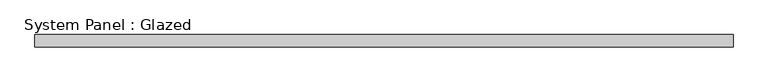
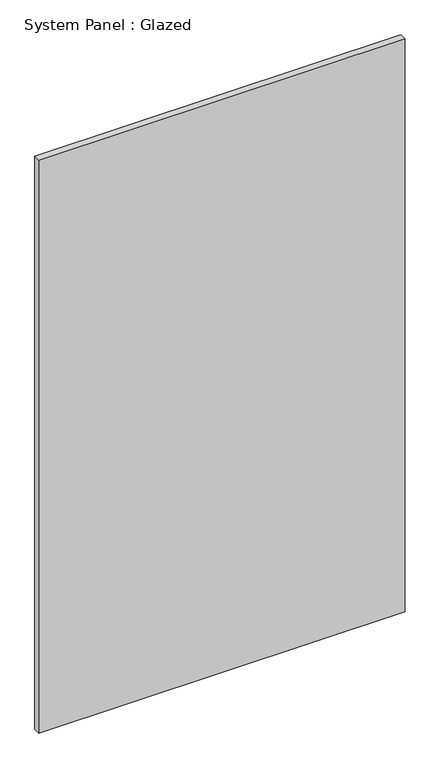
"""IFC4 building model written with IfcOpenShell, lengths in millimetres: plate geometry, System Panel : Glazed."""

from ifc_helpers import new_model, si_unit, origin, origin_with_axes, place, context, project, spatial, polyline, outline, extrude, source, transform, mapped, element, save


def system_panel_glazed_cb815eee(model_context):
    return source(origin(), model_context, "Body", "SweptSolid", [
        extrude(outline(polyline([(703.3667995, 24.5), (-703.3667995, 24.5), (-703.3667995, 49.5), (703.3667995, 49.5), (703.3667995, 24.5)])), origin_with_axes(), (0.0, 0.0, 1.0), 2325.0),
    ])


if __name__ == "__main__":
    model = new_model("IFC4")
    model_context = context("Model", 3, world=origin())
    ifc_project = project(units=[si_unit("LENGTHUNIT", "METRE", prefix="MILLI")], contexts=[model_context])
    site = spatial("IfcSite", under=ifc_project)
    building = spatial("IfcBuilding", under=site)
    placement = place(None, origin())
    system_panel_glazed_shape = system_panel_glazed_cb815eee(model_context)
    element("IfcPlate", 1, ObjectType="System Panel : Glazed", at=placement, inside=building, context=model_context, shape_type="MappedRepresentation", body=[
        mapped(system_panel_glazed_shape, transform((0.0, 0.0, 0.0), x_axis=(1.0, 0.0, 0.0), y_axis=(0.0, 1.0, 0.0), z_axis=(0.0, 0.0, 1.0))),
    ])
    save(model, "model.ifc")
